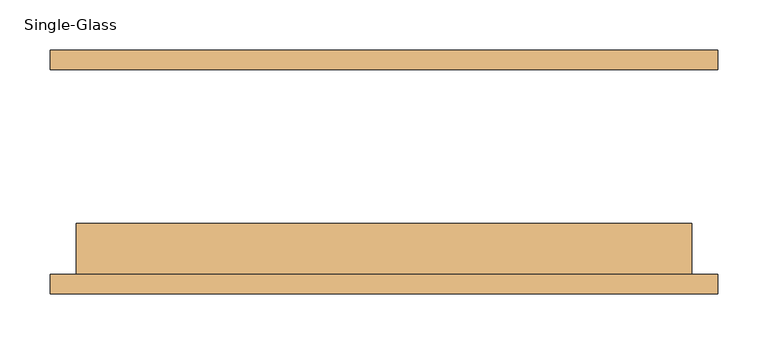
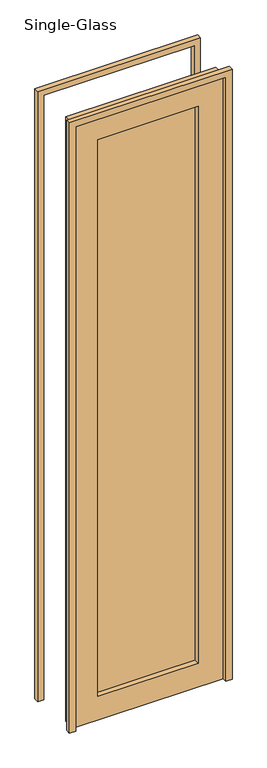
"""IFC4 building model written with IfcOpenShell, lengths in millimetres: door geometry, Single-Glass."""

from ifc_helpers import new_model, si_unit, frame, origin, place, context, project, spatial, polyline, outline, extrude, source, transform, mapped, element, save


def single_glass_135ba859(model_context):
    return source(origin(), model_context, "Body", "SweptSolid", [
        extrude(outline(polyline([(2590.8, 304.8), (0.0, 304.8), (0.0, 330.2), (2616.2, 330.2), (2616.2, -330.2), (0.0, -330.2), (0.0, -304.8), (2590.8, -304.8), (2590.8, 304.8)])), frame((0.0, 101.6, 0.0), z_axis=(0.0, 1.0, 0.0), x_axis=(0.0, 0.0, 1.0)), (0.0, 0.0, 1.0), 19.05),
        extrude(outline(polyline([(2590.8, 304.8), (0.0, 304.8), (0.0, 330.2), (2616.2, 330.2), (2616.2, -330.2), (0.0, -330.2), (0.0, -304.8), (2590.8, -304.8), (2590.8, 304.8)])), frame((0.0, -120.65, 0.0), z_axis=(0.0, 1.0, 0.0), x_axis=(0.0, 0.0, 1.0)), (0.0, 0.0, 1.0), 19.05),
        extrude(outline(polyline([(203.2, -73.025), (203.2, -79.375), (-203.2, -79.375), (-203.2, -73.025), (203.2, -73.025)])), frame((0.0, 0.0, 101.6), z_axis=(0.0, 0.0, 1.0), x_axis=(1.0, 0.0, 0.0)), (0.0, 0.0, 1.0), 2387.6),
        extrude(outline(polyline([(2590.8, 304.8), (2590.8, -304.8), (0.0, -304.8), (0.0, 304.8), (2590.8, 304.8)]), holes=[polyline([(2489.2, -203.2), (2489.2, 203.2), (101.6, 203.2), (101.6, -203.2), (2489.2, -203.2)])]), frame((0.0, -101.6, 0.0), z_axis=(0.0, 1.0, 0.0), x_axis=(0.0, 0.0, 1.0)), (0.0, 0.0, 1.0), 50.8),
    ])


if __name__ == "__main__":
    model = new_model("IFC4")
    model_context = context("Model", 3, world=origin())
    ifc_project = project(units=[si_unit("LENGTHUNIT", "METRE", prefix="MILLI")], contexts=[model_context])
    site = spatial("IfcSite", under=ifc_project)
    building = spatial("IfcBuilding", under=site)
    placement = place(None, origin())
    single_glass_shape = single_glass_135ba859(model_context)
    element("IfcDoor", 1, ObjectType="Single-Glass", at=placement, inside=building, context=model_context, shape_type="MappedRepresentation", body=[
        mapped(single_glass_shape, transform((0.0, 0.0, 0.0), x_axis=(1.0, 0.0, 0.0), y_axis=(0.0, 1.0, 0.0), z_axis=(0.0, 0.0, 1.0))),
    ])
    save(model, "model.ifc")
